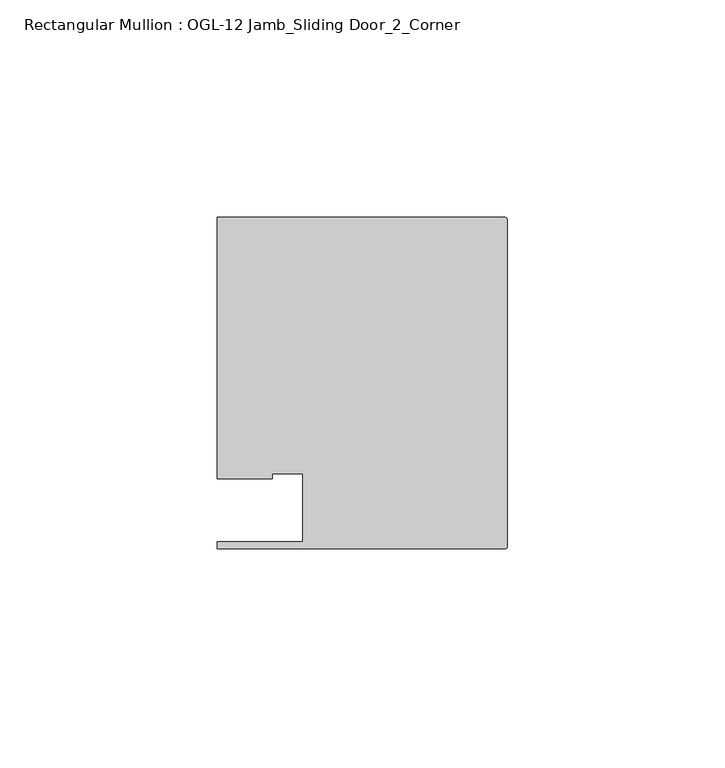
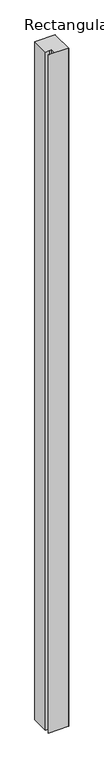
"""IFC4 building model written with IfcOpenShell, lengths in millimetres: member geometry, Rectangular Mullion : OGL-12 Jamb_Sliding Door_2_Corner."""

from ifc_helpers import new_model, si_unit, point, frame, frame_2d, origin, place, context, project, spatial, polyline, circle_curve, trimmed, segment, composite_curve, outline, extrude, source, transform, mapped, element, save


def rectangular_mullion_ogl_12_jamb_sliding_door_2_corner_1a8429f3(model_context):
    return source(origin(), model_context, "Body", "SweptSolid", [
        extrude(outline(composite_curve([segment(polyline([(-47.0121851, -6.350016), (-47.0121851, 9.3367652), (-54.0386602, 9.3367652), (-54.0386602, 8.1914024), (-66.6740655, 8.1914024), (-66.6740655, 68.2621792), (-0.5953125, 68.2621792)]), True, "CONTINUOUS"), segment(trimmed(circle_curve(frame_2d((-0.5953125, 67.6668667)), 0.5953125), [point((-0.5953125, 68.2621792))], [point((0.0, 67.6668667))], False, "CARTESIAN"), True, "CONTINUOUS"), segment(polyline([(0.0, 67.6668667), (0.0, -7.3421715)]), True, "CONTINUOUS"), segment(trimmed(circle_curve(frame_2d((-0.5953125, -7.3421715)), 0.5953125), [point((0.0, -7.3421715))], [point((-0.5953125, -7.937484))], False, "CARTESIAN"), True, "CONTINUOUS"), segment(polyline([(-0.5953125, -7.937484), (-66.6649711, -7.937484), (-66.6649711, -6.350016), (-47.0121851, -6.350016)]), True, "CONTINUOUS")], self_intersect=False)), frame((0.0, 0.0, -2349.4916588), z_axis=(0.0, 0.0, 1.0), x_axis=(1.0, 0.0, 0.0)), (0.0, 0.0, 1.0), 2349.4916588),
    ])


if __name__ == "__main__":
    model = new_model("IFC4")
    model_context = context("Model", 3, world=origin())
    ifc_project = project(units=[si_unit("LENGTHUNIT", "METRE", prefix="MILLI")], contexts=[model_context])
    site = spatial("IfcSite", under=ifc_project)
    building = spatial("IfcBuilding", under=site)
    placement = place(None, origin())
    rectangular_mullion_ogl_12_jamb_sliding_door_2_corner_shape = rectangular_mullion_ogl_12_jamb_sliding_door_2_corner_1a8429f3(model_context)
    element("IfcMember", 1, ObjectType="Rectangular Mullion : OGL-12 Jamb_Sliding Door_2_Corner", at=placement, inside=building, context=model_context, shape_type="MappedRepresentation", body=[
        mapped(rectangular_mullion_ogl_12_jamb_sliding_door_2_corner_shape, transform((0.0, 0.0, 0.0), x_axis=(1.0, 0.0, 0.0), y_axis=(0.0, 1.0, 0.0), z_axis=(0.0, 0.0, 1.0))),
    ])
    save(model, "model.ifc")
